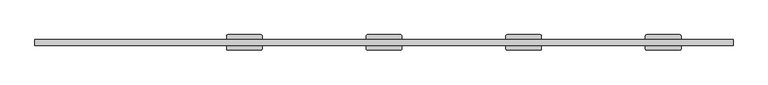
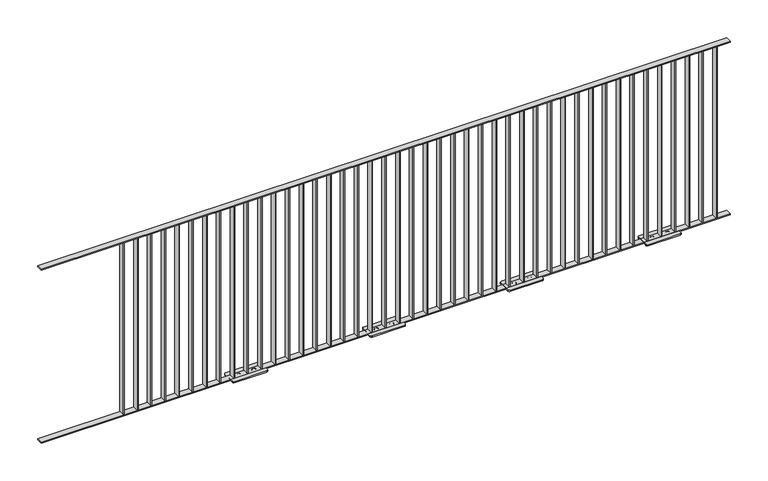
"""IFC4 building model written with IfcOpenShell, lengths in millimetres: railing geometry."""

from ifc_helpers import new_model, si_unit, frame, origin, origin_with_axes, place, context, project, spatial, polyline, circle_curve, outline, extrude, source, transform, mapped, element, save
from ifc_brep_helpers import plane_surface, cylinder_surface, revolved_surface, advanced_brep


def railing_078461c8(model_context):
    return source(origin(), model_context, "Body", "SolidModel", [
        extrude(outline(polyline([(1392.4391725, -978.0676747), (1392.4391725, -938.0676747), (5892.4391725, -938.0676747), (5892.4391725, -978.0676747), (1392.4391725, -978.0676747)])), frame((0.0, 0.0, 1192.0), z_axis=(0.0, 0.0, 1.0), x_axis=(1.0, 0.0, 0.0)), (0.0, 0.0, 1.0), 8.0),
        extrude(outline(polyline([(1392.4391725, -978.0676747), (1392.4391725, -938.0676747), (5892.4391725, -938.0676747), (5892.4391725, -978.0676747), (1392.4391725, -978.0676747)])), origin_with_axes(), (0.0, 0.0, 1.0), 8.0),
        extrude(outline(polyline([(5799.4391725, -938.0676747), (5805.4391725, -938.0676747), (5805.4391725, -978.0676747), (5799.4391725, -978.0676747), (5799.4391725, -938.0676747)])), frame((0.0, 0.0, 8.0), z_axis=(0.0, 0.0, 1.0), x_axis=(1.0, 0.0, 0.0)), (0.0, 0.0, 1.0), 1184.0),
        extrude(outline(polyline([(5709.4391725, -938.0676747), (5715.4391725, -938.0676747), (5715.4391725, -978.0676747), (5709.4391725, -978.0676747), (5709.4391725, -938.0676747)])), frame((0.0, 0.0, 8.0), z_axis=(0.0, 0.0, 1.0), x_axis=(1.0, 0.0, 0.0)), (0.0, 0.0, 1.0), 1184.0),
        extrude(outline(polyline([(5619.4391725, -938.0676747), (5625.4391725, -938.0676747), (5625.4391725, -978.0676747), (5619.4391725, -978.0676747), (5619.4391725, -938.0676747)])), frame((0.0, 0.0, 8.0), z_axis=(0.0, 0.0, 1.0), x_axis=(1.0, 0.0, 0.0)), (0.0, 0.0, 1.0), 1184.0),
        extrude(outline(polyline([(5529.4391725, -938.0676747), (5535.4391725, -938.0676747), (5535.4391725, -978.0676747), (5529.4391725, -978.0676747), (5529.4391725, -938.0676747)])), frame((0.0, 0.0, 8.0), z_axis=(0.0, 0.0, 1.0), x_axis=(1.0, 0.0, 0.0)), (0.0, 0.0, 1.0), 1184.0),
        advanced_brep(
        [(5439.4391725, -978.0676747, 1192.0), (5439.4391725, -978.0676747, 8.0), (5445.4391725, -978.0676747, 8.0), (5445.4391725, -978.0676747, 1192.0), (5439.4391725, -938.0676747, 1192.0), (5445.4391725, -938.0676747, 1192.0), (5445.4391725, -938.0676747, 8.0), (5439.4391725, -938.0676747, 8.0), (5337.4391725, -908.0676747, 8.0), (5327.4391725, -918.0676747, 8.0), (5327.4391725, -998.0676747, 8.0), (5337.4391725, -1008.0676747, 8.0), (5547.4391725, -1008.0676747, 8.0), (5557.4391725, -998.0676747, 8.0), (5557.4391725, -918.0676747, 8.0), (5547.4391725, -908.0676747, 8.0), (5388.4391725, -951.0676747, 8.0), (5396.4391725, -951.0676747, 8.0), (5396.4391725, -965.0676747, 8.0), (5388.4391725, -965.0676747, 8.0), (5496.4391725, -951.0676747, 8.0), (5496.4391725, -965.0676747, 8.0), (5488.4391725, -965.0676747, 8.0), (5488.4391725, -951.0676747, 8.0), (5337.4391725, -908.0676747, 0.0), (5547.4391725, -908.0676747, 0.0), (5557.4391725, -918.0676747, 0.0), (5557.4391725, -998.0676747, 0.0), (5547.4391725, -1008.0676747, 0.0), (5337.4391725, -1008.0676747, 0.0), (5327.4391725, -998.0676747, 0.0), (5327.4391725, -918.0676747, 0.0), (5388.4391725, -951.0676747, 0.0), (5388.4391725, -965.0676747, 0.0), (5396.4391725, -965.0676747, 0.0), (5396.4391725, -951.0676747, 0.0), (5496.4391725, -951.0676747, 0.0), (5488.4391725, -951.0676747, 0.0), (5488.4391725, -965.0676747, 0.0), (5496.4391725, -965.0676747, 0.0)],
        [
            (0, 1),
            (1, 2),
            (2, 3),
            (3, 0),
            (4, 5),
            (5, 6),
            (6, 7),
            (7, 4),
            (3, 5),
            (4, 0),
            (7, 1),
            (2, 6),
            (8, 9, circle_curve(frame((5337.4391725, -918.0676747, 8.0), z_axis=(0.0, 0.0, 1.0), x_axis=(0.0, 1.0, 0.0)), 10.0)),
            (9, 10),
            (10, 11, circle_curve(frame((5337.4391725, -998.0676747, 8.0), z_axis=(0.0, 0.0, 1.0), x_axis=(0.0, 1.0, 0.0)), 10.0)),
            (11, 12),
            (12, 13, circle_curve(frame((5547.4391725, -998.0676747, 8.0), z_axis=(0.0, 0.0, 1.0), x_axis=(0.0, 1.0, 0.0)), 10.0)),
            (13, 14),
            (14, 15, circle_curve(frame((5547.4391725, -918.0676747, 8.0), z_axis=(0.0, 0.0, 1.0), x_axis=(0.0, 1.0, 0.0)), 10.0)),
            (15, 8),
            (16, 17),
            (17, 18, circle_curve(frame((5396.4391725, -958.0676747, 8.0), z_axis=(0.0, 0.0, -1.0), x_axis=(0.0, 1.0, 0.0)), 7.0)),
            (18, 19),
            (19, 16, circle_curve(frame((5388.4391725, -958.0676747, 8.0), z_axis=(0.0, 0.0, -1.0), x_axis=(0.0, 1.0, 0.0)), 7.0)),
            (20, 21, circle_curve(frame((5496.4391725, -958.0676747, 8.0), z_axis=(0.0, 0.0, -1.0), x_axis=(0.0, 1.0, 0.0)), 7.0)),
            (21, 22),
            (22, 23, circle_curve(frame((5488.4391725, -958.0676747, 8.0), z_axis=(0.0, 0.0, -1.0), x_axis=(0.0, 1.0, 0.0)), 7.0)),
            (23, 20),
            (24, 25),
            (25, 26, circle_curve(frame((5547.4391725, -918.0676747, 0.0), z_axis=(0.0, 0.0, -1.0), x_axis=(0.0, 1.0, 0.0)), 10.0)),
            (26, 27),
            (27, 28, circle_curve(frame((5547.4391725, -998.0676747, 0.0), z_axis=(0.0, 0.0, -1.0), x_axis=(0.0, 1.0, 0.0)), 10.0)),
            (28, 29),
            (29, 30, circle_curve(frame((5337.4391725, -998.0676747, 0.0), z_axis=(0.0, 0.0, -1.0), x_axis=(0.0, 1.0, 0.0)), 10.0)),
            (30, 31),
            (31, 24, circle_curve(frame((5337.4391725, -918.0676747, 0.0), z_axis=(0.0, 0.0, -1.0), x_axis=(0.0, 1.0, 0.0)), 10.0)),
            (32, 33, circle_curve(frame((5388.4391725, -958.0676747, 0.0), z_axis=(0.0, 0.0, 1.0), x_axis=(0.0, 1.0, 0.0)), 7.0)),
            (33, 34),
            (34, 35, circle_curve(frame((5396.4391725, -958.0676747, 0.0), z_axis=(0.0, 0.0, 1.0), x_axis=(0.0, 1.0, 0.0)), 7.0)),
            (35, 32),
            (36, 37),
            (37, 38, circle_curve(frame((5488.4391725, -958.0676747, 0.0), z_axis=(0.0, 0.0, 1.0), x_axis=(0.0, 1.0, 0.0)), 7.0)),
            (38, 39),
            (39, 36, circle_curve(frame((5496.4391725, -958.0676747, 0.0), z_axis=(0.0, 0.0, 1.0), x_axis=(0.0, 1.0, 0.0)), 7.0)),
            (8, 24),
            (31, 9),
            (30, 10),
            (29, 11),
            (28, 12),
            (27, 13),
            (26, 14),
            (25, 15),
            (16, 32),
            (35, 17),
            (34, 18),
            (33, 19),
            (20, 36),
            (39, 21),
            (38, 22),
            (37, 23),
        ],
        [
            plane_surface(frame((5439.4391725, -978.0676747, 1192.0), z_axis=(0.0, -1.0, 0.0), x_axis=(-1.0, 0.0, 0.0))),
            plane_surface(frame((5439.4391725, -938.0676747, 1192.0), z_axis=(0.0, 1.0, 0.0), x_axis=(1.0, 0.0, 0.0))),
            plane_surface(frame((5439.4391725, -938.0676747, 1192.0), z_axis=(0.0, 0.0, 1.0), x_axis=(0.0, -1.0, 0.0))),
            plane_surface(frame((5439.4391725, -938.0676747, 8.0), z_axis=(-1.0, 0.0, 0.0), x_axis=(0.0, -1.0, 0.0))),
            plane_surface(frame((5445.4391725, -938.0676747, 1192.0), z_axis=(1.0, 0.0, 0.0), x_axis=(0.0, -1.0, 0.0))),
            plane_surface(frame((5337.4391725, -908.0676747, 8.0), z_axis=(0.0, 0.0, 1.0), x_axis=(-1.0, 0.0, 0.0))),
            plane_surface(frame((5337.4391725, -908.0676747, 0.0), z_axis=(0.0, 0.0, -1.0), x_axis=(1.0, 0.0, 0.0))),
            cylinder_surface(frame((5337.4391725, -918.0676747, 0.0), z_axis=(0.0, 0.0, 1.0), x_axis=(0.0, 1.0, 0.0)), 10.0),
            plane_surface(frame((5327.4391725, -918.0676747, 8.0), z_axis=(-1.0, 0.0, 0.0), x_axis=(0.0, 0.0, -1.0))),
            cylinder_surface(frame((5337.4391725, -998.0676747, 0.0), z_axis=(0.0, 0.0, 1.0), x_axis=(0.0, 1.0, 0.0)), 10.0),
            plane_surface(frame((5337.4391725, -1008.0676747, 8.0), z_axis=(0.0, -1.0, 0.0), x_axis=(0.0, 0.0, -1.0))),
            cylinder_surface(frame((5547.4391725, -998.0676747, 0.0), z_axis=(0.0, 0.0, 1.0), x_axis=(0.0, 1.0, 0.0)), 10.0),
            plane_surface(frame((5557.4391725, -998.0676747, 8.0), z_axis=(1.0, 0.0, 0.0), x_axis=(0.0, 0.0, -1.0))),
            cylinder_surface(frame((5547.4391725, -918.0676747, 0.0), z_axis=(0.0, 0.0, 1.0), x_axis=(0.0, 1.0, 0.0)), 10.0),
            plane_surface(frame((5547.4391725, -908.0676747, 8.0), z_axis=(0.0, 1.0, 0.0), x_axis=(0.0, 0.0, -1.0))),
            plane_surface(frame((5388.4391725, -951.0676747, 8.0), z_axis=(0.0, -1.0, 0.0), x_axis=(0.0, 0.0, -1.0))),
            revolved_surface(polyline([(5396.4391725, -951.0676747, 0.0), (5396.4391725, -951.0676747, 8.0)]), (5396.4391725, -958.0676747, 8.0), (0.0, 0.0, -1.0)),
            plane_surface(frame((5396.4391725, -965.0676747, 8.0), z_axis=(0.0, 1.0, 0.0), x_axis=(0.0, 0.0, -1.0))),
            revolved_surface(polyline([(5388.4391725, -951.0676747, 0.0), (5388.4391725, -951.0676747, 8.0)]), (5388.4391725, -958.0676747, 8.0), (0.0, 0.0, -1.0)),
            revolved_surface(polyline([(5496.4391725, -951.0676747, 0.0), (5496.4391725, -951.0676747, 8.0)]), (5496.4391725, -958.0676747, 8.0), (0.0, 0.0, -1.0)),
            plane_surface(frame((5496.4391725, -965.0676747, 8.0), z_axis=(0.0, 1.0, 0.0), x_axis=(0.0, 0.0, -1.0))),
            revolved_surface(polyline([(5488.4391725, -951.0676747, 0.0), (5488.4391725, -951.0676747, 8.0)]), (5488.4391725, -958.0676747, 8.0), (0.0, 0.0, -1.0)),
            plane_surface(frame((5488.4391725, -951.0676747, 8.0), z_axis=(0.0, -1.0, 0.0), x_axis=(0.0, 0.0, -1.0))),
        ],
        [
            (0, [[1, 2, 3, 4]]),
            (1, [[5, 6, 7, 8]]),
            (2, [[-4, 9, -5, 10]]),
            (3, [[-1, -10, -8, 11]]),
            (4, [[-3, 12, -6, -9]]),
            (5, [[13, 14, 15, 16, 17, 18, 19, 20], [-2, -11, -7, -12], [21, 22, 23, 24], [25, 26, 27, 28]]),
            (6, [[29, 30, 31, 32, 33, 34, 35, 36], [37, 38, 39, 40], [41, 42, 43, 44]]),
            (7, [[-13, 45, -36, 46]]),
            (8, [[-14, -46, -35, 47]]),
            (9, [[-15, -47, -34, 48]]),
            (10, [[-16, -48, -33, 49]]),
            (11, [[-17, -49, -32, 50]]),
            (12, [[-18, -50, -31, 51]]),
            (13, [[-19, -51, -30, 52]]),
            (14, [[-20, -52, -29, -45]]),
            (15, [[-21, 53, -40, 54]]),
            (16, [[-22, -54, -39, 55]]),
            (17, [[-23, -55, -38, 56]]),
            (18, [[-24, -56, -37, -53]]),
            (19, [[-25, 57, -44, 58]]),
            (20, [[-26, -58, -43, 59]]),
            (21, [[-27, -59, -42, 60]]),
            (22, [[-28, -60, -41, -57]]),
        ],
    ),
        extrude(outline(polyline([(5349.4391725, -938.0676747), (5355.4391725, -938.0676747), (5355.4391725, -978.0676747), (5349.4391725, -978.0676747), (5349.4391725, -938.0676747)])), frame((0.0, 0.0, 8.0), z_axis=(0.0, 0.0, 1.0), x_axis=(1.0, 0.0, 0.0)), (0.0, 0.0, 1.0), 1184.0),
        extrude(outline(polyline([(5259.4391725, -938.0676747), (5265.4391725, -938.0676747), (5265.4391725, -978.0676747), (5259.4391725, -978.0676747), (5259.4391725, -938.0676747)])), frame((0.0, 0.0, 8.0), z_axis=(0.0, 0.0, 1.0), x_axis=(1.0, 0.0, 0.0)), (0.0, 0.0, 1.0), 1184.0),
        extrude(outline(polyline([(5169.4391725, -938.0676747), (5175.4391725, -938.0676747), (5175.4391725, -978.0676747), (5169.4391725, -978.0676747), (5169.4391725, -938.0676747)])), frame((0.0, 0.0, 8.0), z_axis=(0.0, 0.0, 1.0), x_axis=(1.0, 0.0, 0.0)), (0.0, 0.0, 1.0), 1184.0),
        extrude(outline(polyline([(5079.4391725, -938.0676747), (5085.4391725, -938.0676747), (5085.4391725, -978.0676747), (5079.4391725, -978.0676747), (5079.4391725, -938.0676747)])), frame((0.0, 0.0, 8.0), z_axis=(0.0, 0.0, 1.0), x_axis=(1.0, 0.0, 0.0)), (0.0, 0.0, 1.0), 1184.0),
        extrude(outline(polyline([(4989.4391725, -938.0676747), (4995.4391725, -938.0676747), (4995.4391725, -978.0676747), (4989.4391725, -978.0676747), (4989.4391725, -938.0676747)])), frame((0.0, 0.0, 8.0), z_axis=(0.0, 0.0, 1.0), x_axis=(1.0, 0.0, 0.0)), (0.0, 0.0, 1.0), 1184.0),
        extrude(outline(polyline([(4899.4391725, -938.0676747), (4905.4391725, -938.0676747), (4905.4391725, -978.0676747), (4899.4391725, -978.0676747), (4899.4391725, -938.0676747)])), frame((0.0, 0.0, 8.0), z_axis=(0.0, 0.0, 1.0), x_axis=(1.0, 0.0, 0.0)), (0.0, 0.0, 1.0), 1184.0),
        extrude(outline(polyline([(4809.4391725, -938.0676747), (4815.4391725, -938.0676747), (4815.4391725, -978.0676747), (4809.4391725, -978.0676747), (4809.4391725, -938.0676747)])), frame((0.0, 0.0, 8.0), z_axis=(0.0, 0.0, 1.0), x_axis=(1.0, 0.0, 0.0)), (0.0, 0.0, 1.0), 1184.0),
        extrude(outline(polyline([(4719.4391725, -938.0676747), (4725.4391725, -938.0676747), (4725.4391725, -978.0676747), (4719.4391725, -978.0676747), (4719.4391725, -938.0676747)])), frame((0.0, 0.0, 8.0), z_axis=(0.0, 0.0, 1.0), x_axis=(1.0, 0.0, 0.0)), (0.0, 0.0, 1.0), 1184.0),
        extrude(outline(polyline([(4629.4391725, -938.0676747), (4635.4391725, -938.0676747), (4635.4391725, -978.0676747), (4629.4391725, -978.0676747), (4629.4391725, -938.0676747)])), frame((0.0, 0.0, 8.0), z_axis=(0.0, 0.0, 1.0), x_axis=(1.0, 0.0, 0.0)), (0.0, 0.0, 1.0), 1184.0),
        advanced_brep(
        [(4539.4391725, -978.0676747, 1192.0), (4539.4391725, -978.0676747, 8.0), (4545.4391725, -978.0676747, 8.0), (4545.4391725, -978.0676747, 1192.0), (4539.4391725, -938.0676747, 1192.0), (4545.4391725, -938.0676747, 1192.0), (4545.4391725, -938.0676747, 8.0), (4539.4391725, -938.0676747, 8.0), (4437.4391725, -908.0676747, 8.0), (4427.4391725, -918.0676747, 8.0), (4427.4391725, -998.0676747, 8.0), (4437.4391725, -1008.0676747, 8.0), (4647.4391725, -1008.0676747, 8.0), (4657.4391725, -998.0676747, 8.0), (4657.4391725, -918.0676747, 8.0), (4647.4391725, -908.0676747, 8.0), (4488.4391725, -951.0676747, 8.0), (4496.4391725, -951.0676747, 8.0), (4496.4391725, -965.0676747, 8.0), (4488.4391725, -965.0676747, 8.0), (4596.4391725, -951.0676747, 8.0), (4596.4391725, -965.0676747, 8.0), (4588.4391725, -965.0676747, 8.0), (4588.4391725, -951.0676747, 8.0), (4437.4391725, -908.0676747, 0.0), (4647.4391725, -908.0676747, 0.0), (4657.4391725, -918.0676747, 0.0), (4657.4391725, -998.0676747, 0.0), (4647.4391725, -1008.0676747, 0.0), (4437.4391725, -1008.0676747, 0.0), (4427.4391725, -998.0676747, 0.0), (4427.4391725, -918.0676747, 0.0), (4488.4391725, -951.0676747, 0.0), (4488.4391725, -965.0676747, 0.0), (4496.4391725, -965.0676747, 0.0), (4496.4391725, -951.0676747, 0.0), (4596.4391725, -951.0676747, 0.0), (4588.4391725, -951.0676747, 0.0), (4588.4391725, -965.0676747, 0.0), (4596.4391725, -965.0676747, 0.0)],
        [
            (0, 1),
            (1, 2),
            (2, 3),
            (3, 0),
            (4, 5),
            (5, 6),
            (6, 7),
            (7, 4),
            (3, 5),
            (4, 0),
            (7, 1),
            (2, 6),
            (8, 9, circle_curve(frame((4437.4391725, -918.0676747, 8.0), z_axis=(0.0, 0.0, 1.0), x_axis=(0.0, 1.0, 0.0)), 10.0)),
            (9, 10),
            (10, 11, circle_curve(frame((4437.4391725, -998.0676747, 8.0), z_axis=(0.0, 0.0, 1.0), x_axis=(0.0, 1.0, 0.0)), 10.0)),
            (11, 12),
            (12, 13, circle_curve(frame((4647.4391725, -998.0676747, 8.0), z_axis=(0.0, 0.0, 1.0), x_axis=(0.0, 1.0, 0.0)), 10.0)),
            (13, 14),
            (14, 15, circle_curve(frame((4647.4391725, -918.0676747, 8.0), z_axis=(0.0, 0.0, 1.0), x_axis=(0.0, 1.0, 0.0)), 10.0)),
            (15, 8),
            (16, 17),
            (17, 18, circle_curve(frame((4496.4391725, -958.0676747, 8.0), z_axis=(0.0, 0.0, -1.0), x_axis=(0.0, 1.0, 0.0)), 7.0)),
            (18, 19),
            (19, 16, circle_curve(frame((4488.4391725, -958.0676747, 8.0), z_axis=(0.0, 0.0, -1.0), x_axis=(0.0, 1.0, 0.0)), 7.0)),
            (20, 21, circle_curve(frame((4596.4391725, -958.0676747, 8.0), z_axis=(0.0, 0.0, -1.0), x_axis=(0.0, 1.0, 0.0)), 7.0)),
            (21, 22),
            (22, 23, circle_curve(frame((4588.4391725, -958.0676747, 8.0), z_axis=(0.0, 0.0, -1.0), x_axis=(0.0, 1.0, 0.0)), 7.0)),
            (23, 20),
            (24, 25),
            (25, 26, circle_curve(frame((4647.4391725, -918.0676747, 0.0), z_axis=(0.0, 0.0, -1.0), x_axis=(0.0, 1.0, 0.0)), 10.0)),
            (26, 27),
            (27, 28, circle_curve(frame((4647.4391725, -998.0676747, 0.0), z_axis=(0.0, 0.0, -1.0), x_axis=(0.0, 1.0, 0.0)), 10.0)),
            (28, 29),
            (29, 30, circle_curve(frame((4437.4391725, -998.0676747, 0.0), z_axis=(0.0, 0.0, -1.0), x_axis=(0.0, 1.0, 0.0)), 10.0)),
            (30, 31),
            (31, 24, circle_curve(frame((4437.4391725, -918.0676747, 0.0), z_axis=(0.0, 0.0, -1.0), x_axis=(0.0, 1.0, 0.0)), 10.0)),
            (32, 33, circle_curve(frame((4488.4391725, -958.0676747, 0.0), z_axis=(0.0, 0.0, 1.0), x_axis=(0.0, 1.0, 0.0)), 7.0)),
            (33, 34),
            (34, 35, circle_curve(frame((4496.4391725, -958.0676747, 0.0), z_axis=(0.0, 0.0, 1.0), x_axis=(0.0, 1.0, 0.0)), 7.0)),
            (35, 32),
            (36, 37),
            (37, 38, circle_curve(frame((4588.4391725, -958.0676747, 0.0), z_axis=(0.0, 0.0, 1.0), x_axis=(0.0, 1.0, 0.0)), 7.0)),
            (38, 39),
            (39, 36, circle_curve(frame((4596.4391725, -958.0676747, 0.0), z_axis=(0.0, 0.0, 1.0), x_axis=(0.0, 1.0, 0.0)), 7.0)),
            (8, 24),
            (31, 9),
            (30, 10),
            (29, 11),
            (28, 12),
            (27, 13),
            (26, 14),
            (25, 15),
            (16, 32),
            (35, 17),
            (34, 18),
            (33, 19),
            (20, 36),
            (39, 21),
            (38, 22),
            (37, 23),
        ],
        [
            plane_surface(frame((4539.4391725, -978.0676747, 1192.0), z_axis=(0.0, -1.0, 0.0), x_axis=(-1.0, 0.0, 0.0))),
            plane_surface(frame((4539.4391725, -938.0676747, 1192.0), z_axis=(0.0, 1.0, 0.0), x_axis=(1.0, 0.0, 0.0))),
            plane_surface(frame((4539.4391725, -938.0676747, 1192.0), z_axis=(0.0, 0.0, 1.0), x_axis=(0.0, -1.0, 0.0))),
            plane_surface(frame((4539.4391725, -938.0676747, 8.0), z_axis=(-1.0, 0.0, 0.0), x_axis=(0.0, -1.0, 0.0))),
            plane_surface(frame((4545.4391725, -938.0676747, 1192.0), z_axis=(1.0, 0.0, 0.0), x_axis=(0.0, -1.0, 0.0))),
            plane_surface(frame((4437.4391725, -908.0676747, 8.0), z_axis=(0.0, 0.0, 1.0), x_axis=(-1.0, 0.0, 0.0))),
            plane_surface(frame((4437.4391725, -908.0676747, 0.0), z_axis=(0.0, 0.0, -1.0), x_axis=(1.0, 0.0, 0.0))),
            cylinder_surface(frame((4437.4391725, -918.0676747, 0.0), z_axis=(0.0, 0.0, 1.0), x_axis=(0.0, 1.0, 0.0)), 10.0),
            plane_surface(frame((4427.4391725, -918.0676747, 8.0), z_axis=(-1.0, 0.0, 0.0), x_axis=(0.0, 0.0, -1.0))),
            cylinder_surface(frame((4437.4391725, -998.0676747, 0.0), z_axis=(0.0, 0.0, 1.0), x_axis=(0.0, 1.0, 0.0)), 10.0),
            plane_surface(frame((4437.4391725, -1008.0676747, 8.0), z_axis=(0.0, -1.0, 0.0), x_axis=(0.0, 0.0, -1.0))),
            cylinder_surface(frame((4647.4391725, -998.0676747, 0.0), z_axis=(0.0, 0.0, 1.0), x_axis=(0.0, 1.0, 0.0)), 10.0),
            plane_surface(frame((4657.4391725, -998.0676747, 8.0), z_axis=(1.0, 0.0, 0.0), x_axis=(0.0, 0.0, -1.0))),
            cylinder_surface(frame((4647.4391725, -918.0676747, 0.0), z_axis=(0.0, 0.0, 1.0), x_axis=(0.0, 1.0, 0.0)), 10.0),
            plane_surface(frame((4647.4391725, -908.0676747, 8.0), z_axis=(0.0, 1.0, 0.0), x_axis=(0.0, 0.0, -1.0))),
            plane_surface(frame((4488.4391725, -951.0676747, 8.0), z_axis=(0.0, -1.0, 0.0), x_axis=(0.0, 0.0, -1.0))),
            revolved_surface(polyline([(4496.4391725, -951.0676747, 0.0), (4496.4391725, -951.0676747, 8.0)]), (4496.4391725, -958.0676747, 8.0), (0.0, 0.0, -1.0)),
            plane_surface(frame((4496.4391725, -965.0676747, 8.0), z_axis=(0.0, 1.0, 0.0), x_axis=(0.0, 0.0, -1.0))),
            revolved_surface(polyline([(4488.4391725, -951.0676747, 0.0), (4488.4391725, -951.0676747, 8.0)]), (4488.4391725, -958.0676747, 8.0), (0.0, 0.0, -1.0)),
            revolved_surface(polyline([(4596.4391725, -951.0676747, 0.0), (4596.4391725, -951.0676747, 8.0)]), (4596.4391725, -958.0676747, 8.0), (0.0, 0.0, -1.0)),
            plane_surface(frame((4596.4391725, -965.0676747, 8.0), z_axis=(0.0, 1.0, 0.0), x_axis=(0.0, 0.0, -1.0))),
            revolved_surface(polyline([(4588.4391725, -951.0676747, 0.0), (4588.4391725, -951.0676747, 8.0)]), (4588.4391725, -958.0676747, 8.0), (0.0, 0.0, -1.0)),
            plane_surface(frame((4588.4391725, -951.0676747, 8.0), z_axis=(0.0, -1.0, 0.0), x_axis=(0.0, 0.0, -1.0))),
        ],
        [
            (0, [[1, 2, 3, 4]]),
            (1, [[5, 6, 7, 8]]),
            (2, [[-4, 9, -5, 10]]),
            (3, [[-1, -10, -8, 11]]),
            (4, [[-3, 12, -6, -9]]),
            (5, [[13, 14, 15, 16, 17, 18, 19, 20], [-2, -11, -7, -12], [21, 22, 23, 24], [25, 26, 27, 28]]),
            (6, [[29, 30, 31, 32, 33, 34, 35, 36], [37, 38, 39, 40], [41, 42, 43, 44]]),
            (7, [[-13, 45, -36, 46]]),
            (8, [[-14, -46, -35, 47]]),
            (9, [[-15, -47, -34, 48]]),
            (10, [[-16, -48, -33, 49]]),
            (11, [[-17, -49, -32, 50]]),
            (12, [[-18, -50, -31, 51]]),
            (13, [[-19, -51, -30, 52]]),
            (14, [[-20, -52, -29, -45]]),
            (15, [[-21, 53, -40, 54]]),
            (16, [[-22, -54, -39, 55]]),
            (17, [[-23, -55, -38, 56]]),
            (18, [[-24, -56, -37, -53]]),
            (19, [[-25, 57, -44, 58]]),
            (20, [[-26, -58, -43, 59]]),
            (21, [[-27, -59, -42, 60]]),
            (22, [[-28, -60, -41, -57]]),
        ],
    ),
        extrude(outline(polyline([(4449.4391725, -938.0676747), (4455.4391725, -938.0676747), (4455.4391725, -978.0676747), (4449.4391725, -978.0676747), (4449.4391725, -938.0676747)])), frame((0.0, 0.0, 8.0), z_axis=(0.0, 0.0, 1.0), x_axis=(1.0, 0.0, 0.0)), (0.0, 0.0, 1.0), 1184.0),
        extrude(outline(polyline([(4359.4391725, -938.0676747), (4365.4391725, -938.0676747), (4365.4391725, -978.0676747), (4359.4391725, -978.0676747), (4359.4391725, -938.0676747)])), frame((0.0, 0.0, 8.0), z_axis=(0.0, 0.0, 1.0), x_axis=(1.0, 0.0, 0.0)), (0.0, 0.0, 1.0), 1184.0),
        extrude(outline(polyline([(4269.4391725, -938.0676747), (4275.4391725, -938.0676747), (4275.4391725, -978.0676747), (4269.4391725, -978.0676747), (4269.4391725, -938.0676747)])), frame((0.0, 0.0, 8.0), z_axis=(0.0, 0.0, 1.0), x_axis=(1.0, 0.0, 0.0)), (0.0, 0.0, 1.0), 1184.0),
        extrude(outline(polyline([(4179.4391725, -938.0676747), (4185.4391725, -938.0676747), (4185.4391725, -978.0676747), (4179.4391725, -978.0676747), (4179.4391725, -938.0676747)])), frame((0.0, 0.0, 8.0), z_axis=(0.0, 0.0, 1.0), x_axis=(1.0, 0.0, 0.0)), (0.0, 0.0, 1.0), 1184.0),
        extrude(outline(polyline([(4089.4391725, -938.0676747), (4095.4391725, -938.0676747), (4095.4391725, -978.0676747), (4089.4391725, -978.0676747), (4089.4391725, -938.0676747)])), frame((0.0, 0.0, 8.0), z_axis=(0.0, 0.0, 1.0), x_axis=(1.0, 0.0, 0.0)), (0.0, 0.0, 1.0), 1184.0),
        extrude(outline(polyline([(3999.4391725, -938.0676747), (4005.4391725, -938.0676747), (4005.4391725, -978.0676747), (3999.4391725, -978.0676747), (3999.4391725, -938.0676747)])), frame((0.0, 0.0, 8.0), z_axis=(0.0, 0.0, 1.0), x_axis=(1.0, 0.0, 0.0)), (0.0, 0.0, 1.0), 1184.0),
        extrude(outline(polyline([(3909.4391725, -938.0676747), (3915.4391725, -938.0676747), (3915.4391725, -978.0676747), (3909.4391725, -978.0676747), (3909.4391725, -938.0676747)])), frame((0.0, 0.0, 8.0), z_axis=(0.0, 0.0, 1.0), x_axis=(1.0, 0.0, 0.0)), (0.0, 0.0, 1.0), 1184.0),
        extrude(outline(polyline([(3819.4391725, -938.0676747), (3825.4391725, -938.0676747), (3825.4391725, -978.0676747), (3819.4391725, -978.0676747), (3819.4391725, -938.0676747)])), frame((0.0, 0.0, 8.0), z_axis=(0.0, 0.0, 1.0), x_axis=(1.0, 0.0, 0.0)), (0.0, 0.0, 1.0), 1184.0),
        extrude(outline(polyline([(3729.4391725, -938.0676747), (3735.4391725, -938.0676747), (3735.4391725, -978.0676747), (3729.4391725, -978.0676747), (3729.4391725, -938.0676747)])), frame((0.0, 0.0, 8.0), z_axis=(0.0, 0.0, 1.0), x_axis=(1.0, 0.0, 0.0)), (0.0, 0.0, 1.0), 1184.0),
        advanced_brep(
        [(3639.4391725, -978.0676747, 1192.0), (3639.4391725, -978.0676747, 8.0), (3645.4391725, -978.0676747, 8.0), (3645.4391725, -978.0676747, 1192.0), (3639.4391725, -938.0676747, 1192.0), (3645.4391725, -938.0676747, 1192.0), (3645.4391725, -938.0676747, 8.0), (3639.4391725, -938.0676747, 8.0), (3537.4391725, -908.0676747, 8.0), (3527.4391725, -918.0676747, 8.0), (3527.4391725, -998.0676747, 8.0), (3537.4391725, -1008.0676747, 8.0), (3747.4391725, -1008.0676747, 8.0), (3757.4391725, -998.0676747, 8.0), (3757.4391725, -918.0676747, 8.0), (3747.4391725, -908.0676747, 8.0), (3588.4391725, -951.0676747, 8.0), (3596.4391725, -951.0676747, 8.0), (3596.4391725, -965.0676747, 8.0), (3588.4391725, -965.0676747, 8.0), (3696.4391725, -951.0676747, 8.0), (3696.4391725, -965.0676747, 8.0), (3688.4391725, -965.0676747, 8.0), (3688.4391725, -951.0676747, 8.0), (3537.4391725, -908.0676747, 0.0), (3747.4391725, -908.0676747, 0.0), (3757.4391725, -918.0676747, 0.0), (3757.4391725, -998.0676747, 0.0), (3747.4391725, -1008.0676747, 0.0), (3537.4391725, -1008.0676747, 0.0), (3527.4391725, -998.0676747, 0.0), (3527.4391725, -918.0676747, 0.0), (3588.4391725, -951.0676747, 0.0), (3588.4391725, -965.0676747, 0.0), (3596.4391725, -965.0676747, 0.0), (3596.4391725, -951.0676747, 0.0), (3696.4391725, -951.0676747, 0.0), (3688.4391725, -951.0676747, 0.0), (3688.4391725, -965.0676747, 0.0), (3696.4391725, -965.0676747, 0.0)],
        [
            (0, 1),
            (1, 2),
            (2, 3),
            (3, 0),
            (4, 5),
            (5, 6),
            (6, 7),
            (7, 4),
            (3, 5),
            (4, 0),
            (7, 1),
            (2, 6),
            (8, 9, circle_curve(frame((3537.4391725, -918.0676747, 8.0), z_axis=(0.0, 0.0, 1.0), x_axis=(0.0, 1.0, 0.0)), 10.0)),
            (9, 10),
            (10, 11, circle_curve(frame((3537.4391725, -998.0676747, 8.0), z_axis=(0.0, 0.0, 1.0), x_axis=(0.0, 1.0, 0.0)), 10.0)),
            (11, 12),
            (12, 13, circle_curve(frame((3747.4391725, -998.0676747, 8.0), z_axis=(0.0, 0.0, 1.0), x_axis=(0.0, 1.0, 0.0)), 10.0)),
            (13, 14),
            (14, 15, circle_curve(frame((3747.4391725, -918.0676747, 8.0), z_axis=(0.0, 0.0, 1.0), x_axis=(0.0, 1.0, 0.0)), 10.0)),
            (15, 8),
            (16, 17),
            (17, 18, circle_curve(frame((3596.4391725, -958.0676747, 8.0), z_axis=(0.0, 0.0, -1.0), x_axis=(0.0, 1.0, 0.0)), 7.0)),
            (18, 19),
            (19, 16, circle_curve(frame((3588.4391725, -958.0676747, 8.0), z_axis=(0.0, 0.0, -1.0), x_axis=(0.0, 1.0, 0.0)), 7.0)),
            (20, 21, circle_curve(frame((3696.4391725, -958.0676747, 8.0), z_axis=(0.0, 0.0, -1.0), x_axis=(0.0, 1.0, 0.0)), 7.0)),
            (21, 22),
            (22, 23, circle_curve(frame((3688.4391725, -958.0676747, 8.0), z_axis=(0.0, 0.0, -1.0), x_axis=(0.0, 1.0, 0.0)), 7.0)),
            (23, 20),
            (24, 25),
            (25, 26, circle_curve(frame((3747.4391725, -918.0676747, 0.0), z_axis=(0.0, 0.0, -1.0), x_axis=(0.0, 1.0, 0.0)), 10.0)),
            (26, 27),
            (27, 28, circle_curve(frame((3747.4391725, -998.0676747, 0.0), z_axis=(0.0, 0.0, -1.0), x_axis=(0.0, 1.0, 0.0)), 10.0)),
            (28, 29),
            (29, 30, circle_curve(frame((3537.4391725, -998.0676747, 0.0), z_axis=(0.0, 0.0, -1.0), x_axis=(0.0, 1.0, 0.0)), 10.0)),
            (30, 31),
            (31, 24, circle_curve(frame((3537.4391725, -918.0676747, 0.0), z_axis=(0.0, 0.0, -1.0), x_axis=(0.0, 1.0, 0.0)), 10.0)),
            (32, 33, circle_curve(frame((3588.4391725, -958.0676747, 0.0), z_axis=(0.0, 0.0, 1.0), x_axis=(0.0, 1.0, 0.0)), 7.0)),
            (33, 34),
            (34, 35, circle_curve(frame((3596.4391725, -958.0676747, 0.0), z_axis=(0.0, 0.0, 1.0), x_axis=(0.0, 1.0, 0.0)), 7.0)),
            (35, 32),
            (36, 37),
            (37, 38, circle_curve(frame((3688.4391725, -958.0676747, 0.0), z_axis=(0.0, 0.0, 1.0), x_axis=(0.0, 1.0, 0.0)), 7.0)),
            (38, 39),
            (39, 36, circle_curve(frame((3696.4391725, -958.0676747, 0.0), z_axis=(0.0, 0.0, 1.0), x_axis=(0.0, 1.0, 0.0)), 7.0)),
            (8, 24),
            (31, 9),
            (30, 10),
            (29, 11),
            (28, 12),
            (27, 13),
            (26, 14),
            (25, 15),
            (16, 32),
            (35, 17),
            (34, 18),
            (33, 19),
            (20, 36),
            (39, 21),
            (38, 22),
            (37, 23),
        ],
        [
            plane_surface(frame((3639.4391725, -978.0676747, 1192.0), z_axis=(0.0, -1.0, 0.0), x_axis=(-1.0, 0.0, 0.0))),
            plane_surface(frame((3639.4391725, -938.0676747, 1192.0), z_axis=(0.0, 1.0, 0.0), x_axis=(1.0, 0.0, 0.0))),
            plane_surface(frame((3639.4391725, -938.0676747, 1192.0), z_axis=(0.0, 0.0, 1.0), x_axis=(0.0, -1.0, 0.0))),
            plane_surface(frame((3639.4391725, -938.0676747, 8.0), z_axis=(-1.0, 0.0, 0.0), x_axis=(0.0, -1.0, 0.0))),
            plane_surface(frame((3645.4391725, -938.0676747, 1192.0), z_axis=(1.0, 0.0, 0.0), x_axis=(0.0, -1.0, 0.0))),
            plane_surface(frame((3537.4391725, -908.0676747, 8.0), z_axis=(0.0, 0.0, 1.0), x_axis=(-1.0, 0.0, 0.0))),
            plane_surface(frame((3537.4391725, -908.0676747, 0.0), z_axis=(0.0, 0.0, -1.0), x_axis=(1.0, 0.0, 0.0))),
            cylinder_surface(frame((3537.4391725, -918.0676747, 0.0), z_axis=(0.0, 0.0, 1.0), x_axis=(0.0, 1.0, 0.0)), 10.0),
            plane_surface(frame((3527.4391725, -918.0676747, 8.0), z_axis=(-1.0, 0.0, 0.0), x_axis=(0.0, 0.0, -1.0))),
            cylinder_surface(frame((3537.4391725, -998.0676747, 0.0), z_axis=(0.0, 0.0, 1.0), x_axis=(0.0, 1.0, 0.0)), 10.0),
            plane_surface(frame((3537.4391725, -1008.0676747, 8.0), z_axis=(0.0, -1.0, 0.0), x_axis=(0.0, 0.0, -1.0))),
            cylinder_surface(frame((3747.4391725, -998.0676747, 0.0), z_axis=(0.0, 0.0, 1.0), x_axis=(0.0, 1.0, 0.0)), 10.0),
            plane_surface(frame((3757.4391725, -998.0676747, 8.0), z_axis=(1.0, 0.0, 0.0), x_axis=(0.0, 0.0, -1.0))),
            cylinder_surface(frame((3747.4391725, -918.0676747, 0.0), z_axis=(0.0, 0.0, 1.0), x_axis=(0.0, 1.0, 0.0)), 10.0),
            plane_surface(frame((3747.4391725, -908.0676747, 8.0), z_axis=(0.0, 1.0, 0.0), x_axis=(0.0, 0.0, -1.0))),
            plane_surface(frame((3588.4391725, -951.0676747, 8.0), z_axis=(0.0, -1.0, 0.0), x_axis=(0.0, 0.0, -1.0))),
            revolved_surface(polyline([(3596.4391725, -951.0676747, 0.0), (3596.4391725, -951.0676747, 8.0)]), (3596.4391725, -958.0676747, 8.0), (0.0, 0.0, -1.0)),
            plane_surface(frame((3596.4391725, -965.0676747, 8.0), z_axis=(0.0, 1.0, 0.0), x_axis=(0.0, 0.0, -1.0))),
            revolved_surface(polyline([(3588.4391725, -951.0676747, 0.0), (3588.4391725, -951.0676747, 8.0)]), (3588.4391725, -958.0676747, 8.0), (0.0, 0.0, -1.0)),
            revolved_surface(polyline([(3696.4391725, -951.0676747, 0.0), (3696.4391725, -951.0676747, 8.0)]), (3696.4391725, -958.0676747, 8.0), (0.0, 0.0, -1.0)),
            plane_surface(frame((3696.4391725, -965.0676747, 8.0), z_axis=(0.0, 1.0, 0.0), x_axis=(0.0, 0.0, -1.0))),
            revolved_surface(polyline([(3688.4391725, -951.0676747, 0.0), (3688.4391725, -951.0676747, 8.0)]), (3688.4391725, -958.0676747, 8.0), (0.0, 0.0, -1.0)),
            plane_surface(frame((3688.4391725, -951.0676747, 8.0), z_axis=(0.0, -1.0, 0.0), x_axis=(0.0, 0.0, -1.0))),
        ],
        [
            (0, [[1, 2, 3, 4]]),
            (1, [[5, 6, 7, 8]]),
            (2, [[-4, 9, -5, 10]]),
            (3, [[-1, -10, -8, 11]]),
            (4, [[-3, 12, -6, -9]]),
            (5, [[13, 14, 15, 16, 17, 18, 19, 20], [-2, -11, -7, -12], [21, 22, 23, 24], [25, 26, 27, 28]]),
            (6, [[29, 30, 31, 32, 33, 34, 35, 36], [37, 38, 39, 40], [41, 42, 43, 44]]),
            (7, [[-13, 45, -36, 46]]),
            (8, [[-14, -46, -35, 47]]),
            (9, [[-15, -47, -34, 48]]),
            (10, [[-16, -48, -33, 49]]),
            (11, [[-17, -49, -32, 50]]),
            (12, [[-18, -50, -31, 51]]),
            (13, [[-19, -51, -30, 52]]),
            (14, [[-20, -52, -29, -45]]),
            (15, [[-21, 53, -40, 54]]),
            (16, [[-22, -54, -39, 55]]),
            (17, [[-23, -55, -38, 56]]),
            (18, [[-24, -56, -37, -53]]),
            (19, [[-25, 57, -44, 58]]),
            (20, [[-26, -58, -43, 59]]),
            (21, [[-27, -59, -42, 60]]),
            (22, [[-28, -60, -41, -57]]),
        ],
    ),
        extrude(outline(polyline([(3549.4391725, -938.0676747), (3555.4391725, -938.0676747), (3555.4391725, -978.0676747), (3549.4391725, -978.0676747), (3549.4391725, -938.0676747)])), frame((0.0, 0.0, 8.0), z_axis=(0.0, 0.0, 1.0), x_axis=(1.0, 0.0, 0.0)), (0.0, 0.0, 1.0), 1184.0),
        extrude(outline(polyline([(3459.4391725, -938.0676747), (3465.4391725, -938.0676747), (3465.4391725, -978.0676747), (3459.4391725, -978.0676747), (3459.4391725, -938.0676747)])), frame((0.0, 0.0, 8.0), z_axis=(0.0, 0.0, 1.0), x_axis=(1.0, 0.0, 0.0)), (0.0, 0.0, 1.0), 1184.0),
        extrude(outline(polyline([(3369.4391725, -938.0676747), (3375.4391725, -938.0676747), (3375.4391725, -978.0676747), (3369.4391725, -978.0676747), (3369.4391725, -938.0676747)])), frame((0.0, 0.0, 8.0), z_axis=(0.0, 0.0, 1.0), x_axis=(1.0, 0.0, 0.0)), (0.0, 0.0, 1.0), 1184.0),
        extrude(outline(polyline([(3279.4391725, -938.0676747), (3285.4391725, -938.0676747), (3285.4391725, -978.0676747), (3279.4391725, -978.0676747), (3279.4391725, -938.0676747)])), frame((0.0, 0.0, 8.0), z_axis=(0.0, 0.0, 1.0), x_axis=(1.0, 0.0, 0.0)), (0.0, 0.0, 1.0), 1184.0),
        extrude(outline(polyline([(3189.4391725, -938.0676747), (3195.4391725, -938.0676747), (3195.4391725, -978.0676747), (3189.4391725, -978.0676747), (3189.4391725, -938.0676747)])), frame((0.0, 0.0, 8.0), z_axis=(0.0, 0.0, 1.0), x_axis=(1.0, 0.0, 0.0)), (0.0, 0.0, 1.0), 1184.0),
        extrude(outline(polyline([(3099.4391725, -938.0676747), (3105.4391725, -938.0676747), (3105.4391725, -978.0676747), (3099.4391725, -978.0676747), (3099.4391725, -938.0676747)])), frame((0.0, 0.0, 8.0), z_axis=(0.0, 0.0, 1.0), x_axis=(1.0, 0.0, 0.0)), (0.0, 0.0, 1.0), 1184.0),
        extrude(outline(polyline([(3009.4391725, -938.0676747), (3015.4391725, -938.0676747), (3015.4391725, -978.0676747), (3009.4391725, -978.0676747), (3009.4391725, -938.0676747)])), frame((0.0, 0.0, 8.0), z_axis=(0.0, 0.0, 1.0), x_axis=(1.0, 0.0, 0.0)), (0.0, 0.0, 1.0), 1184.0),
        extrude(outline(polyline([(2919.4391725, -938.0676747), (2925.4391725, -938.0676747), (2925.4391725, -978.0676747), (2919.4391725, -978.0676747), (2919.4391725, -938.0676747)])), frame((0.0, 0.0, 8.0), z_axis=(0.0, 0.0, 1.0), x_axis=(1.0, 0.0, 0.0)), (0.0, 0.0, 1.0), 1184.0),
        extrude(outline(polyline([(2829.4391725, -938.0676747), (2835.4391725, -938.0676747), (2835.4391725, -978.0676747), (2829.4391725, -978.0676747), (2829.4391725, -938.0676747)])), frame((0.0, 0.0, 8.0), z_axis=(0.0, 0.0, 1.0), x_axis=(1.0, 0.0, 0.0)), (0.0, 0.0, 1.0), 1184.0),
        advanced_brep(
        [(2739.4391725, -978.0676747, 1192.0), (2739.4391725, -978.0676747, 8.0), (2745.4391725, -978.0676747, 8.0), (2745.4391725, -978.0676747, 1192.0), (2739.4391725, -938.0676747, 1192.0), (2745.4391725, -938.0676747, 1192.0), (2745.4391725, -938.0676747, 8.0), (2739.4391725, -938.0676747, 8.0), (2637.4391725, -908.0676747, 8.0), (2627.4391725, -918.0676747, 8.0), (2627.4391725, -998.0676747, 8.0), (2637.4391725, -1008.0676747, 8.0), (2847.4391725, -1008.0676747, 8.0), (2857.4391725, -998.0676747, 8.0), (2857.4391725, -918.0676747, 8.0), (2847.4391725, -908.0676747, 8.0), (2688.4391725, -951.0676747, 8.0), (2696.4391725, -951.0676747, 8.0), (2696.4391725, -965.0676747, 8.0), (2688.4391725, -965.0676747, 8.0), (2796.4391725, -951.0676747, 8.0), (2796.4391725, -965.0676747, 8.0), (2788.4391725, -965.0676747, 8.0), (2788.4391725, -951.0676747, 8.0), (2637.4391725, -908.0676747, 0.0), (2847.4391725, -908.0676747, 0.0), (2857.4391725, -918.0676747, 0.0), (2857.4391725, -998.0676747, 0.0), (2847.4391725, -1008.0676747, 0.0), (2637.4391725, -1008.0676747, 0.0), (2627.4391725, -998.0676747, 0.0), (2627.4391725, -918.0676747, 0.0), (2688.4391725, -951.0676747, 0.0), (2688.4391725, -965.0676747, 0.0), (2696.4391725, -965.0676747, 0.0), (2696.4391725, -951.0676747, 0.0), (2796.4391725, -951.0676747, 0.0), (2788.4391725, -951.0676747, 0.0), (2788.4391725, -965.0676747, 0.0), (2796.4391725, -965.0676747, 0.0)],
        [
            (0, 1),
            (1, 2),
            (2, 3),
            (3, 0),
            (4, 5),
            (5, 6),
            (6, 7),
            (7, 4),
            (3, 5),
            (4, 0),
            (7, 1),
            (2, 6),
            (8, 9, circle_curve(frame((2637.4391725, -918.0676747, 8.0), z_axis=(0.0, 0.0, 1.0), x_axis=(0.0, 1.0, 0.0)), 10.0)),
            (9, 10),
            (10, 11, circle_curve(frame((2637.4391725, -998.0676747, 8.0), z_axis=(0.0, 0.0, 1.0), x_axis=(0.0, 1.0, 0.0)), 10.0)),
            (11, 12),
            (12, 13, circle_curve(frame((2847.4391725, -998.0676747, 8.0), z_axis=(0.0, 0.0, 1.0), x_axis=(0.0, 1.0, 0.0)), 10.0)),
            (13, 14),
            (14, 15, circle_curve(frame((2847.4391725, -918.0676747, 8.0), z_axis=(0.0, 0.0, 1.0), x_axis=(0.0, 1.0, 0.0)), 10.0)),
            (15, 8),
            (16, 17),
            (17, 18, circle_curve(frame((2696.4391725, -958.0676747, 8.0), z_axis=(0.0, 0.0, -1.0), x_axis=(0.0, 1.0, 0.0)), 7.0)),
            (18, 19),
            (19, 16, circle_curve(frame((2688.4391725, -958.0676747, 8.0), z_axis=(0.0, 0.0, -1.0), x_axis=(0.0, 1.0, 0.0)), 7.0)),
            (20, 21, circle_curve(frame((2796.4391725, -958.0676747, 8.0), z_axis=(0.0, 0.0, -1.0), x_axis=(0.0, 1.0, 0.0)), 7.0)),
            (21, 22),
            (22, 23, circle_curve(frame((2788.4391725, -958.0676747, 8.0), z_axis=(0.0, 0.0, -1.0), x_axis=(0.0, 1.0, 0.0)), 7.0)),
            (23, 20),
            (24, 25),
            (25, 26, circle_curve(frame((2847.4391725, -918.0676747, 0.0), z_axis=(0.0, 0.0, -1.0), x_axis=(0.0, 1.0, 0.0)), 10.0)),
            (26, 27),
            (27, 28, circle_curve(frame((2847.4391725, -998.0676747, 0.0), z_axis=(0.0, 0.0, -1.0), x_axis=(0.0, 1.0, 0.0)), 10.0)),
            (28, 29),
            (29, 30, circle_curve(frame((2637.4391725, -998.0676747, 0.0), z_axis=(0.0, 0.0, -1.0), x_axis=(0.0, 1.0, 0.0)), 10.0)),
            (30, 31),
            (31, 24, circle_curve(frame((2637.4391725, -918.0676747, 0.0), z_axis=(0.0, 0.0, -1.0), x_axis=(0.0, 1.0, 0.0)), 10.0)),
            (32, 33, circle_curve(frame((2688.4391725, -958.0676747, 0.0), z_axis=(0.0, 0.0, 1.0), x_axis=(0.0, 1.0, 0.0)), 7.0)),
            (33, 34),
            (34, 35, circle_curve(frame((2696.4391725, -958.0676747, 0.0), z_axis=(0.0, 0.0, 1.0), x_axis=(0.0, 1.0, 0.0)), 7.0)),
            (35, 32),
            (36, 37),
            (37, 38, circle_curve(frame((2788.4391725, -958.0676747, 0.0), z_axis=(0.0, 0.0, 1.0), x_axis=(0.0, 1.0, 0.0)), 7.0)),
            (38, 39),
            (39, 36, circle_curve(frame((2796.4391725, -958.0676747, 0.0), z_axis=(0.0, 0.0, 1.0), x_axis=(0.0, 1.0, 0.0)), 7.0)),
            (8, 24),
            (31, 9),
            (30, 10),
            (29, 11),
            (28, 12),
            (27, 13),
            (26, 14),
            (25, 15),
            (16, 32),
            (35, 17),
            (34, 18),
            (33, 19),
            (20, 36),
            (39, 21),
            (38, 22),
            (37, 23),
        ],
        [
            plane_surface(frame((2739.4391725, -978.0676747, 1192.0), z_axis=(0.0, -1.0, 0.0), x_axis=(-1.0, 0.0, 0.0))),
            plane_surface(frame((2739.4391725, -938.0676747, 1192.0), z_axis=(0.0, 1.0, 0.0), x_axis=(1.0, 0.0, 0.0))),
            plane_surface(frame((2739.4391725, -938.0676747, 1192.0), z_axis=(0.0, 0.0, 1.0), x_axis=(0.0, -1.0, 0.0))),
            plane_surface(frame((2739.4391725, -938.0676747, 8.0), z_axis=(-1.0, 0.0, 0.0), x_axis=(0.0, -1.0, 0.0))),
            plane_surface(frame((2745.4391725, -938.0676747, 1192.0), z_axis=(1.0, 0.0, 0.0), x_axis=(0.0, -1.0, 0.0))),
            plane_surface(frame((2637.4391725, -908.0676747, 8.0), z_axis=(0.0, 0.0, 1.0), x_axis=(-1.0, 0.0, 0.0))),
            plane_surface(frame((2637.4391725, -908.0676747, 0.0), z_axis=(0.0, 0.0, -1.0), x_axis=(1.0, 0.0, 0.0))),
            cylinder_surface(frame((2637.4391725, -918.0676747, 0.0), z_axis=(0.0, 0.0, 1.0), x_axis=(0.0, 1.0, 0.0)), 10.0),
            plane_surface(frame((2627.4391725, -918.0676747, 8.0), z_axis=(-1.0, 0.0, 0.0), x_axis=(0.0, 0.0, -1.0))),
            cylinder_surface(frame((2637.4391725, -998.0676747, 0.0), z_axis=(0.0, 0.0, 1.0), x_axis=(0.0, 1.0, 0.0)), 10.0),
            plane_surface(frame((2637.4391725, -1008.0676747, 8.0), z_axis=(0.0, -1.0, 0.0), x_axis=(0.0, 0.0, -1.0))),
            cylinder_surface(frame((2847.4391725, -998.0676747, 0.0), z_axis=(0.0, 0.0, 1.0), x_axis=(0.0, 1.0, 0.0)), 10.0),
            plane_surface(frame((2857.4391725, -998.0676747, 8.0), z_axis=(1.0, 0.0, 0.0), x_axis=(0.0, 0.0, -1.0))),
            cylinder_surface(frame((2847.4391725, -918.0676747, 0.0), z_axis=(0.0, 0.0, 1.0), x_axis=(0.0, 1.0, 0.0)), 10.0),
            plane_surface(frame((2847.4391725, -908.0676747, 8.0), z_axis=(0.0, 1.0, 0.0), x_axis=(0.0, 0.0, -1.0))),
            plane_surface(frame((2688.4391725, -951.0676747, 8.0), z_axis=(0.0, -1.0, 0.0), x_axis=(0.0, 0.0, -1.0))),
            revolved_surface(polyline([(2696.4391725, -951.0676747, 0.0), (2696.4391725, -951.0676747, 8.0)]), (2696.4391725, -958.0676747, 8.0), (0.0, 0.0, -1.0)),
            plane_surface(frame((2696.4391725, -965.0676747, 8.0), z_axis=(0.0, 1.0, 0.0), x_axis=(0.0, 0.0, -1.0))),
            revolved_surface(polyline([(2688.4391725, -951.0676747, 0.0), (2688.4391725, -951.0676747, 8.0)]), (2688.4391725, -958.0676747, 8.0), (0.0, 0.0, -1.0)),
            revolved_surface(polyline([(2796.4391725, -951.0676747, 0.0), (2796.4391725, -951.0676747, 8.0)]), (2796.4391725, -958.0676747, 8.0), (0.0, 0.0, -1.0)),
            plane_surface(frame((2796.4391725, -965.0676747, 8.0), z_axis=(0.0, 1.0, 0.0), x_axis=(0.0, 0.0, -1.0))),
            revolved_surface(polyline([(2788.4391725, -951.0676747, 0.0), (2788.4391725, -951.0676747, 8.0)]), (2788.4391725, -958.0676747, 8.0), (0.0, 0.0, -1.0)),
            plane_surface(frame((2788.4391725, -951.0676747, 8.0), z_axis=(0.0, -1.0, 0.0), x_axis=(0.0, 0.0, -1.0))),
        ],
        [
            (0, [[1, 2, 3, 4]]),
            (1, [[5, 6, 7, 8]]),
            (2, [[-4, 9, -5, 10]]),
            (3, [[-1, -10, -8, 11]]),
            (4, [[-3, 12, -6, -9]]),
            (5, [[13, 14, 15, 16, 17, 18, 19, 20], [-2, -11, -7, -12], [21, 22, 23, 24], [25, 26, 27, 28]]),
            (6, [[29, 30, 31, 32, 33, 34, 35, 36], [37, 38, 39, 40], [41, 42, 43, 44]]),
            (7, [[-13, 45, -36, 46]]),
            (8, [[-14, -46, -35, 47]]),
            (9, [[-15, -47, -34, 48]]),
            (10, [[-16, -48, -33, 49]]),
            (11, [[-17, -49, -32, 50]]),
            (12, [[-18, -50, -31, 51]]),
            (13, [[-19, -51, -30, 52]]),
            (14, [[-20, -52, -29, -45]]),
            (15, [[-21, 53, -40, 54]]),
            (16, [[-22, -54, -39, 55]]),
            (17, [[-23, -55, -38, 56]]),
            (18, [[-24, -56, -37, -53]]),
            (19, [[-25, 57, -44, 58]]),
            (20, [[-26, -58, -43, 59]]),
            (21, [[-27, -59, -42, 60]]),
            (22, [[-28, -60, -41, -57]]),
        ],
    ),
        extrude(outline(polyline([(2649.4391725, -938.0676747), (2655.4391725, -938.0676747), (2655.4391725, -978.0676747), (2649.4391725, -978.0676747), (2649.4391725, -938.0676747)])), frame((0.0, 0.0, 8.0), z_axis=(0.0, 0.0, 1.0), x_axis=(1.0, 0.0, 0.0)), (0.0, 0.0, 1.0), 1184.0),
        extrude(outline(polyline([(2559.4391725, -938.0676747), (2565.4391725, -938.0676747), (2565.4391725, -978.0676747), (2559.4391725, -978.0676747), (2559.4391725, -938.0676747)])), frame((0.0, 0.0, 8.0), z_axis=(0.0, 0.0, 1.0), x_axis=(1.0, 0.0, 0.0)), (0.0, 0.0, 1.0), 1184.0),
        extrude(outline(polyline([(2469.4391725, -938.0676747), (2475.4391725, -938.0676747), (2475.4391725, -978.0676747), (2469.4391725, -978.0676747), (2469.4391725, -938.0676747)])), frame((0.0, 0.0, 8.0), z_axis=(0.0, 0.0, 1.0), x_axis=(1.0, 0.0, 0.0)), (0.0, 0.0, 1.0), 1184.0),
        extrude(outline(polyline([(2379.4391725, -938.0676747), (2385.4391725, -938.0676747), (2385.4391725, -978.0676747), (2379.4391725, -978.0676747), (2379.4391725, -938.0676747)])), frame((0.0, 0.0, 8.0), z_axis=(0.0, 0.0, 1.0), x_axis=(1.0, 0.0, 0.0)), (0.0, 0.0, 1.0), 1184.0),
        extrude(outline(polyline([(2289.4391725, -938.0676747), (2295.4391725, -938.0676747), (2295.4391725, -978.0676747), (2289.4391725, -978.0676747), (2289.4391725, -938.0676747)])), frame((0.0, 0.0, 8.0), z_axis=(0.0, 0.0, 1.0), x_axis=(1.0, 0.0, 0.0)), (0.0, 0.0, 1.0), 1184.0),
        extrude(outline(polyline([(2199.4391725, -938.0676747), (2205.4391725, -938.0676747), (2205.4391725, -978.0676747), (2199.4391725, -978.0676747), (2199.4391725, -938.0676747)])), frame((0.0, 0.0, 8.0), z_axis=(0.0, 0.0, 1.0), x_axis=(1.0, 0.0, 0.0)), (0.0, 0.0, 1.0), 1184.0),
        extrude(outline(polyline([(2109.4391725, -938.0676747), (2115.4391725, -938.0676747), (2115.4391725, -978.0676747), (2109.4391725, -978.0676747), (2109.4391725, -938.0676747)])), frame((0.0, 0.0, 8.0), z_axis=(0.0, 0.0, 1.0), x_axis=(1.0, 0.0, 0.0)), (0.0, 0.0, 1.0), 1184.0),
        extrude(outline(polyline([(2019.4391725, -938.0676747), (2025.4391725, -938.0676747), (2025.4391725, -978.0676747), (2019.4391725, -978.0676747), (2019.4391725, -938.0676747)])), frame((0.0, 0.0, 8.0), z_axis=(0.0, 0.0, 1.0), x_axis=(1.0, 0.0, 0.0)), (0.0, 0.0, 1.0), 1184.0),
        extrude(outline(polyline([(1929.4391725, -938.0676747), (1935.4391725, -938.0676747), (1935.4391725, -978.0676747), (1929.4391725, -978.0676747), (1929.4391725, -938.0676747)])), frame((0.0, 0.0, 8.0), z_axis=(0.0, 0.0, 1.0), x_axis=(1.0, 0.0, 0.0)), (0.0, 0.0, 1.0), 1184.0),
    ])


if __name__ == "__main__":
    model = new_model("IFC4")
    model_context = context("Model", 3, world=origin())
    ifc_project = project(units=[si_unit("LENGTHUNIT", "METRE", prefix="MILLI")], contexts=[model_context])
    site = spatial("IfcSite", under=ifc_project)
    building = spatial("IfcBuilding", under=site)
    placement = place(None, origin())
    railing_shape = railing_078461c8(model_context)
    element("IfcRailing", 1, at=placement, inside=building, context=model_context, shape_type="MappedRepresentation", body=[
        mapped(railing_shape, transform((0.0, 0.0, 0.0), x_axis=(1.0, 0.0, 0.0), y_axis=(0.0, 1.0, 0.0), z_axis=(0.0, 0.0, 1.0))),
    ])
    save(model, "model.ifc")
